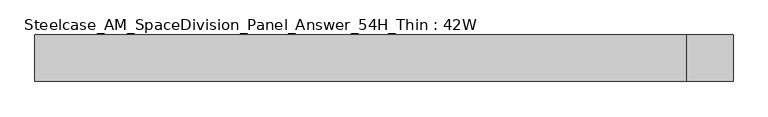
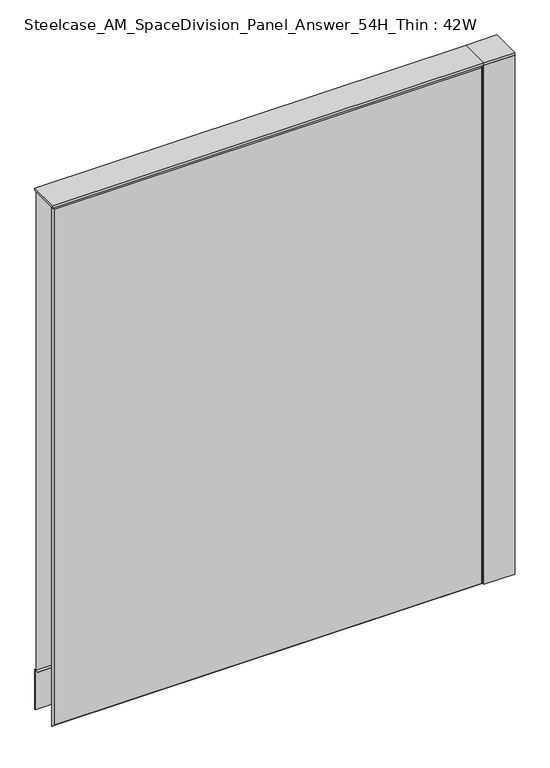
"""IFC4 building model written with IfcOpenShell, lengths in millimetres: furniture geometry, Steelcase_AM_SpaceDivision_Panel_Answer_54H_Thin : 42W."""

from ifc_helpers import new_model, si_unit, point, frame, frame_2d, origin, place, context, project, spatial, polyline, circle_curve, trimmed, segment, composite_curve, outline, extrude, faceted_brep, source, transform, mapped, element, save


def steelcase_am_spacedivision_panel_answer_54h_thin_42w_08719a74(model_context):
    return source(origin(), model_context, "Body", "SolidModel", [
        extrude(outline(polyline([(37.3075215, 119.8575157), (25.4000011, 119.8575157), (25.4000011, 120.65), (38.1000194, 120.65), (38.1000194, 15.494), (37.3075215, 15.494), (37.3075215, 119.8575157)])), frame((-533.4, 0.0, 0.0), z_axis=(1.0, 0.0, 0.0), x_axis=(0.0, 1.0, 0.0)), (0.0, 0.0, 1.0), 1066.8),
        extrude(outline(composite_curve([segment(trimmed(circle_curve(frame_2d((571.5, 1.94e-05)), 5.08), [point((576.58, 1.94e-05))], [point((566.42, 1.94e-05))], False, "CARTESIAN"), True, "CONTINUOUS"), segment(trimmed(circle_curve(frame_2d((571.5, 1.94e-05)), 5.08), [point((566.42, 1.94e-05))], [point((576.58, 1.94e-05))], False, "CARTESIAN"), True, "CONTINUOUS")], self_intersect=False)), frame((0.0, 0.0, 5.0799671), z_axis=(0.0, 0.0, 1.0), x_axis=(1.0, 0.0, 0.0)), (0.0, 0.0, 1.0), 10.414),
        extrude(outline(composite_curve([segment(trimmed(circle_curve(frame_2d((571.5, 1.94e-05)), 15.24), [point((586.74, 1.94e-05))], [point((556.26, 1.94e-05))], False, "CARTESIAN"), True, "CONTINUOUS"), segment(trimmed(circle_curve(frame_2d((571.5, 1.94e-05)), 15.24), [point((556.26, 1.94e-05))], [point((586.74, 1.94e-05))], False, "CARTESIAN"), True, "CONTINUOUS")], self_intersect=False)), frame((0.0, 0.0, -3.29e-05), z_axis=(0.0, 0.0, 1.0), x_axis=(1.0, 0.0, 0.0)), (0.0, 0.0, 1.0), 5.08),
        extrude(outline(polyline([(533.4, 38.1), (609.6, 38.1), (609.6, -38.1), (533.4, -38.1), (533.4, 38.1)])), frame((0.0, 0.0, 1371.5999671), z_axis=(0.0, 0.0, 1.0), x_axis=(1.0, 0.0, 0.0)), (0.0, 0.0, 1.0), 6.35),
        extrude(outline(polyline([(609.6, -38.1), (533.4, -38.1), (533.4, 38.1), (609.6, 38.1), (609.6, -38.1)])), frame((0.0, 0.0, 15.4939671), z_axis=(0.0, 0.0, 1.0), x_axis=(1.0, 0.0, 0.0)), (0.0, 0.0, 1.0), 1356.106),
        faceted_brep([(-528.574, -38.0960552, 1366.774), (-528.574, -38.0960552, 20.32), (528.574, -38.0960552, 20.32), (528.574, -38.0960552, 1366.774), (-533.4, -33.2700552, 1371.6), (533.4, -33.2700552, 1371.6), (533.4, -33.2700552, 15.494), (-533.4, -33.2700552, 15.494)], [[[0, 1, 2, 3]], [[4, 5, 6, 7]], [[4, 0, 3, 5]], [[5, 3, 2, 6]], [[6, 2, 1, 7]], [[7, 1, 0, 4]]]),
        faceted_brep([(528.574, 38.0960552, 1366.774), (528.574, 38.0960552, 125.476), (-528.574, 38.0960552, 125.476), (-528.574, 38.0960552, 1366.774), (533.4, 33.2700552, 1371.6), (-533.4, 33.2700552, 1371.6), (-533.4, 33.2700552, 120.65), (533.4, 33.2700552, 120.65)], [[[0, 1, 2, 3]], [[4, 5, 6, 7]], [[4, 0, 3, 5]], [[5, 3, 2, 6]], [[6, 2, 1, 7]], [[7, 1, 0, 4]]]),
        extrude(outline(polyline([(533.4, -38.1000194), (-533.4, -38.1000194), (-533.4, 38.1000194), (533.4, 38.1000194), (533.4, -38.1000194)])), frame((0.0, 0.0, 1371.6), z_axis=(0.0, 0.0, 1.0), x_axis=(1.0, 0.0, 0.0)), (0.0, 0.0, 1.0), 6.35),
    ])


if __name__ == "__main__":
    model = new_model("IFC4")
    model_context = context("Model", 3, world=origin())
    ifc_project = project(units=[si_unit("LENGTHUNIT", "METRE", prefix="MILLI")], contexts=[model_context])
    site = spatial("IfcSite", under=ifc_project)
    building = spatial("IfcBuilding", under=site)
    placement = place(None, origin())
    steelcase_am_spacedivision_panel_answer_54h_thin_42w_shape = steelcase_am_spacedivision_panel_answer_54h_thin_42w_08719a74(model_context)
    element("IfcFurniture", 1, ObjectType="Steelcase_AM_SpaceDivision_Panel_Answer_54H_Thin : 42W", at=placement, inside=building, context=model_context, shape_type="MappedRepresentation", body=[
        mapped(steelcase_am_spacedivision_panel_answer_54h_thin_42w_shape, transform((0.0, 0.0, 0.0), x_axis=(1.0, 0.0, 0.0), y_axis=(0.0, 1.0, 0.0), z_axis=(0.0, 0.0, 1.0))),
    ])
    save(model, "model.ifc")
